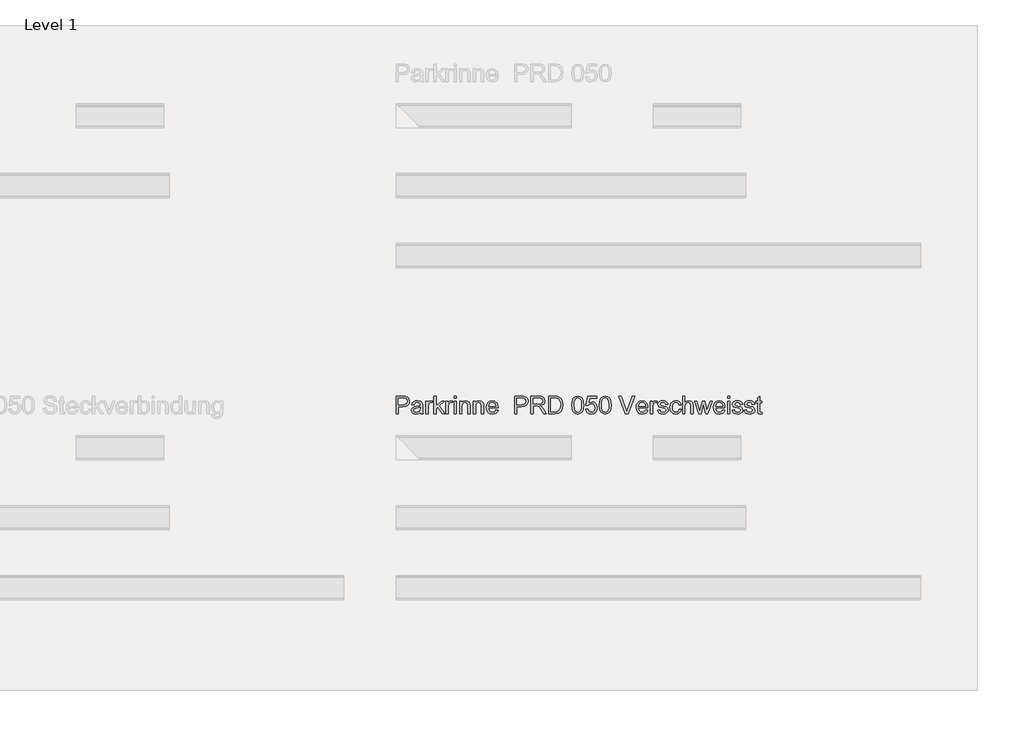
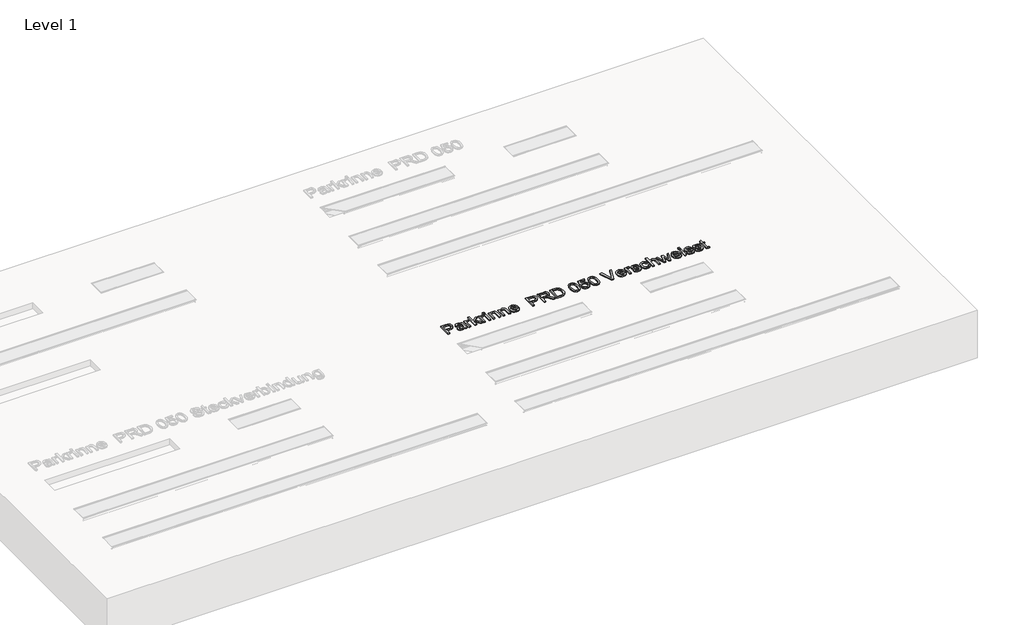
# One storey, part 3 of 4: 1 proxy.
"""IFC4 building model written with IfcOpenShell, lengths in millimetres."""

from ifc_helpers import new_model, si_unit, origin, origin_with_axes, place, context, project, spatial, polyline, outline, extrude, element, save

model = new_model("IFC4")

# Units and contexts
model_context = context("Model", 3, world=origin())
ifc_project = project(units=[si_unit("LENGTHUNIT", "METRE", prefix="MILLI")], contexts=[model_context])

# Site, building, storey
site = spatial("IfcSite", under=ifc_project)
building = spatial("IfcBuilding", under=site)
storey = spatial("IfcBuildingStorey", under=building, Name="Level 1", Elevation=0.0)

# Proxy
placement = place(None, origin())
element("IfcBuildingElementProxy", 1, Name="100mm ACO", ObjectType="100mm ACO", at=placement, inside=storey, context=model_context, shape_type="SweptSolid", body=[
    extrude(outline(polyline([(-11851.3859098, 10264.8419023), (-11813.6085192, 10264.8419023), (-11798.2123407, 10263.9542209), (-11786.2213662, 10259.3411883), (-11777.8538779, 10249.2274415), (-11775.016208, 10235.8540124), (-11777.2536016, 10223.3500745), (-11783.9657824, 10213.6037697), (-11795.6111433, 10207.3281534), (-11812.648077, 10205.2362814), (-11838.3471802, 10205.2362814), (-11838.3471802, 10164.257417), (-11851.3859098, 10164.257417), (-11851.3859098, 10264.8419023)]), holes=[polyline([(-11838.3471802, 10216.4123353), (-11812.1241995, 10216.4123353), (-11794.072253, 10221.1781656), (-11789.5592664, 10227.1354534), (-11788.0549375, 10235.4756564), (-11791.1836506, 10246.520741), (-11798.8671876, 10252.4871239), (-11812.4152426, 10253.6658484), (-11838.3471802, 10253.6658484), (-11838.3471802, 10216.4123353)])]), origin_with_axes(), (0.0, 0.0, 1.0), 10.0),
    extrude(outline(polyline([(-11696.7838305, 10164.257417), (-11709.8225601, 10164.257417), (-11713.5479114, 10173.0469177), (-11726.113696, 10165.0577854), (-11739.6544748, 10162.3947413), (-11749.6990988, 10163.8499567), (-11757.3644457, 10168.2156028), (-11762.221227, 10174.967802), (-11763.840154, 10183.5826769), (-11762.2539693, 10191.9392511), (-11757.4954151, 10198.6732601), (-11748.8150555, 10203.5955261), (-11735.4634546, 10206.5168709), (-11724.0545662, 10208.2631293), (-11713.5479114, 10210.8243083), (-11713.8826109, 10218.9007536), (-11715.8325995, 10223.8048293), (-11721.0277183, 10227.8939844), (-11730.6612439, 10229.4510649), (-11742.8122922, 10226.2932476), (-11748.9387488, 10214.5496596), (-11761.9774784, 10216.1503965), (-11758.4012866, 10226.0167566), (-11751.6891058, 10233.0891033), (-11741.848212, 10237.3456082), (-11728.8858812, 10238.7644431), (-11709.5169648, 10234.8790182), (-11701.9207407, 10225.5074313), (-11700.5091818, 10211.3772902), (-11700.5091818, 10194.7587308), (-11699.9562, 10174.3857159), (-11696.7838305, 10164.257417)]), holes=[polyline([(-11713.5479114, 10196.8542409), (-11713.5479114, 10201.5109301), (-11736.9623264, 10196.1557376), (-11747.34165, 10192.0738585), (-11750.8014245, 10183.786407), (-11747.0760732, 10175.1133235), (-11736.3365838, 10171.7081196), (-11720.43108, 10177.4125638), (-11715.2687035, 10185.1252052), (-11713.5479114, 10196.8542409)])]), origin_with_axes(), (0.0, 0.0, 1.0), 10.0),
    extrude(outline(polyline([(-11642.7662365, 10235.9122211), (-11646.8408395, 10227.5883892), (-11655.3975058, 10229.4510649), (-11661.2256433, 10227.8139476), (-11665.4384918, 10222.9025958), (-11668.8436957, 10204.5668823), (-11668.8436957, 10164.257417), (-11681.8824253, 10164.257417), (-11681.8824253, 10236.9017675), (-11670.7063713, 10236.9017675), (-11670.7063713, 10226.1331739), (-11663.7358898, 10235.6066258), (-11655.2519843, 10238.7644431), (-11642.7662365, 10235.9122211)])), origin_with_axes(), (0.0, 0.0, 1.0), 10.0),
    extrude(outline(polyline([(-11573.8472373, 10164.257417), (-11586.798654, 10164.257417), (-11613.0216347, 10202.4422679), (-11622.2768043, 10194.0602275), (-11622.2768043, 10164.257417), (-11635.3155339, 10164.257417), (-11635.3155339, 10264.8419023), (-11622.2768043, 10264.8419023), (-11622.2768043, 10208.5250681), (-11591.1351957, 10236.9017675), (-11575.2442441, 10236.9017675), (-11605.1052631, 10209.7183447), (-11573.8472373, 10164.257417)])), origin_with_axes(), (0.0, 0.0, 1.0), 10.0),
    extrude(outline(polyline([(-11527.280346, 10235.9122211), (-11531.354949, 10227.5883892), (-11539.9116153, 10229.4510649), (-11545.7397527, 10227.8139476), (-11549.9526012, 10222.9025958), (-11553.3578051, 10204.5668823), (-11553.3578051, 10164.257417), (-11566.3965347, 10164.257417), (-11566.3965347, 10236.9017675), (-11555.2204808, 10236.9017675), (-11555.2204808, 10226.1331739), (-11548.2499992, 10235.6066258), (-11539.7660937, 10238.7644431), (-11527.280346, 10235.9122211)])), origin_with_axes(), (0.0, 0.0, 1.0), 10.0),
    extrude(outline(polyline([(-11506.7909138, 10164.257417), (-11519.8296434, 10164.257417), (-11519.8296434, 10236.9017675), (-11506.7909138, 10236.9017675), (-11506.7909138, 10164.257417)])), origin_with_axes(), (0.0, 0.0, 1.0), 10.0),
    extrude(outline(polyline([(-11506.7909138, 10251.8031727), (-11519.8296434, 10251.8031727), (-11519.8296434, 10264.8419023), (-11506.7909138, 10264.8419023), (-11506.7909138, 10251.8031727)])), origin_with_axes(), (0.0, 0.0, 1.0), 10.0),
    extrude(outline(polyline([(-11428.5585363, 10164.257417), (-11441.5972659, 10164.257417), (-11441.5972659, 10209.4855102), (-11445.4826909, 10225.1727317), (-11456.294941, 10229.4510649), (-11466.3795834, 10226.71526), (-11473.1317826, 10219.0026186), (-11475.1254277, 10204.916134), (-11475.1254277, 10164.257417), (-11488.1641572, 10164.257417), (-11488.1641572, 10236.9017675), (-11476.9881033, 10236.9017675), (-11476.9881033, 10226.8025729), (-11467.0344303, 10235.7812517), (-11453.7046576, 10238.7644431), (-11442.2666649, 10236.6980373), (-11433.4189556, 10230.5133721), (-11429.3880091, 10221.7238713), (-11428.5585363, 10209.1071542), (-11428.5585363, 10164.257417)])), origin_with_axes(), (0.0, 0.0, 1.0), 10.0),
    extrude(outline(polyline([(-11350.3261588, 10164.257417), (-11363.3648884, 10164.257417), (-11363.3648884, 10209.4855102), (-11367.2503134, 10225.1727317), (-11378.0625635, 10229.4510649), (-11388.1472059, 10226.71526), (-11394.8994052, 10219.0026186), (-11396.8930502, 10204.916134), (-11396.8930502, 10164.257417), (-11409.9317798, 10164.257417), (-11409.9317798, 10236.9017675), (-11398.7557258, 10236.9017675), (-11398.7557258, 10226.8025729), (-11388.8020528, 10235.7812517), (-11375.4722802, 10238.7644431), (-11364.0342875, 10236.6980373), (-11355.1865781, 10230.5133721), (-11351.1556316, 10221.7238713), (-11350.3261588, 10209.1071542), (-11350.3261588, 10164.257417)])), origin_with_axes(), (0.0, 0.0, 1.0), 10.0),
    extrude(outline(polyline([(-11268.3684301, 10197.7855788), (-11322.386024, 10197.7855788), (-11320.301428, 10186.5949727), (-11315.561064, 10178.4021102), (-11308.739742, 10173.3816173), (-11300.4122722, 10171.7081196), (-11288.6686843, 10175.4189188), (-11281.4071596, 10186.6095248), (-11268.3684301, 10185.0961009), (-11272.7704565, 10175.4189188), (-11279.7482141, 10168.2738114), (-11289.0470402, 10163.8645088), (-11300.4122722, 10162.3947413), (-11315.084481, 10164.9159019), (-11326.1550318, 10172.4793837), (-11333.1073232, 10184.4085116), (-11335.4247536, 10200.0266104), (-11333.190998, 10215.6556233), (-11326.4897313, 10228.0249538), (-11315.7284138, 10236.0795708), (-11301.3145057, 10238.7644431), (-11286.0056402, 10235.2864785), (-11273.5053403, 10223.4410255), (-11269.6526576, 10212.8434196), (-11268.3684301, 10197.7855788)]), holes=[polyline([(-11281.4071596, 10207.098957), (-11283.5026697, 10217.3145688), (-11288.2757761, 10224.2122896), (-11301.6346531, 10229.4510649), (-11309.5364724, 10227.8939844), (-11315.8957635, 10223.2227432), (-11322.386024, 10207.098957), (-11281.4071596, 10207.098957)])]), origin_with_axes(), (0.0, 0.0, 1.0), 10.0),
    extrude(outline(polyline([(-11173.3719717, 10264.8419023), (-11135.5945811, 10264.8419023), (-11120.1984026, 10263.9542209), (-11108.2074281, 10259.3411883), (-11099.8399398, 10249.2274415), (-11097.0022699, 10235.8540124), (-11099.2396635, 10223.3500745), (-11105.9518443, 10213.6037697), (-11117.5972052, 10207.3281534), (-11134.634139, 10205.2362814), (-11160.3332421, 10205.2362814), (-11160.3332421, 10164.257417), (-11173.3719717, 10164.257417), (-11173.3719717, 10264.8419023)]), holes=[polyline([(-11160.3332421, 10216.4123353), (-11134.1102614, 10216.4123353), (-11116.058315, 10221.1781656), (-11111.5453283, 10227.1354534), (-11110.0409995, 10235.4756564), (-11113.1697125, 10246.520741), (-11120.8532495, 10252.4871239), (-11134.4013045, 10253.6658484), (-11160.3332421, 10253.6658484), (-11160.3332421, 10216.4123353)])]), origin_with_axes(), (0.0, 0.0, 1.0), 10.0),
    extrude(outline(polyline([(-10992.2267643, 10164.257417), (-11007.3318997, 10164.257417), (-11026.1914907, 10194.2930619), (-11033.991445, 10203.4754708), (-11041.762295, 10208.0157427), (-11051.3958207, 10208.9616327), (-11067.1994594, 10208.9616327), (-11067.1994594, 10164.257417), (-11080.238189, 10164.257417), (-11080.238189, 10264.8419023), (-11035.8541207, 10264.8419023), (-11020.5889116, 10263.6922822), (-11009.7912137, 10258.8609672), (-11002.6461063, 10249.5766932), (-11000.1431359, 10237.7748967), (-11001.9694311, 10227.664788), (-11007.448317, 10219.7447785), (-11016.3687871, 10214.1676656), (-11028.5198353, 10211.0862471), (-11018.8062728, 10203.5555076), (-11009.6893486, 10191.8191958), (-10992.2267643, 10164.257417)]), holes=[polyline([(-11067.1994594, 10220.1376866), (-11038.2697782, 10220.1376866), (-11024.4015758, 10221.6220063), (-11016.2378177, 10227.3992112), (-11013.1818655, 10237.047289), (-11018.260567, 10248.8199813), (-11024.9873, 10252.4543816), (-11035.0100958, 10253.6658484), (-11067.1994594, 10253.6658484), (-11067.1994594, 10220.1376866)])]), origin_with_axes(), (0.0, 0.0, 1.0), 10.0),
    extrude(outline(polyline([(-10979.6537037, 10264.8419023), (-10945.4270385, 10264.8419023), (-10929.9435472, 10263.9105645), (-10917.5451123, 10259.3848447), (-10907.1985312, 10249.4748282), (-10900.2280496, 10234.9663311), (-10897.6959749, 10215.1026415), (-10900.3008104, 10194.8496818), (-10908.1153168, 10178.5621839), (-10922.2818383, 10167.8336087), (-10943.9427189, 10164.257417), (-10979.6537037, 10164.257417), (-10979.6537037, 10264.8419023)]), holes=[polyline([(-10966.6149741, 10175.4334709), (-10945.1650998, 10175.4334709), (-10933.4506162, 10176.2774958), (-10922.9876178, 10180.8323199), (-10914.2126692, 10192.9979202), (-10910.7347045, 10215.3936846), (-10912.0735026, 10229.7712123), (-10916.9921305, 10241.9513648), (-10925.2140973, 10249.9987057), (-10934.2655368, 10253.1128665), (-10945.5725601, 10253.6658484), (-10966.6149741, 10253.6658484), (-10966.6149741, 10175.4334709)])]), origin_with_axes(), (0.0, 0.0, 1.0), 10.0),
    extrude(outline(polyline([(-10812.0419991, 10264.8419023), (-10797.3606952, 10261.6367905), (-10786.8740496, 10252.021455), (-10780.5820622, 10235.9958959), (-10778.484733, 10213.5601132), (-10780.6530039, 10190.9569807), (-10787.1578166, 10175.0114585), (-10797.715404, 10165.5489206), (-10812.0419991, 10162.3947413), (-10826.6978368, 10165.5925771), (-10837.1662922, 10175.1860843), (-10843.4473655, 10191.175263), (-10845.5410566, 10213.5601132), (-10843.3727857, 10236.1596077), (-10836.8679731, 10252.1524244), (-10826.3249378, 10261.6695328), (-10812.0419991, 10264.8419023)]), holes=[polyline([(-10812.0128948, 10171.7081196), (-10803.121529, 10174.1565194), (-10796.7040293, 10181.5017189), (-10792.8186043, 10194.4131172), (-10791.5234626, 10213.5601132), (-10793.7935986, 10237.9204182), (-10800.6476629, 10251.162878), (-10812.1584163, 10255.528524), (-10821.031592, 10253.0364677), (-10827.3945211, 10245.5602989), (-10831.2253755, 10232.5761399), (-10832.502327, 10213.5601132), (-10830.1885346, 10189.3598819), (-10823.3344703, 10176.0737657), (-10812.0128948, 10171.7081196)])]), origin_with_axes(), (0.0, 0.0, 1.0), 10.0),
    extrude(outline(polyline([(-10749.7878862, 10226.71526), (-10730.9865039, 10231.3137405), (-10719.4320939, 10229.0763469), (-10709.4493166, 10222.3641661), (-10702.5515958, 10211.926634), (-10700.2523556, 10198.5131864), (-10702.6352707, 10184.5940516), (-10709.7840161, 10172.9305005), (-10720.7963583, 10165.0286811), (-10734.7700638, 10162.3947413), (-10746.5791364, 10164.2137605), (-10756.685607, 10169.6708181), (-10763.9689599, 10178.6931533), (-10767.3086791, 10191.2080054), (-10754.2699495, 10192.1975518), (-10747.4595417, 10176.7868212), (-10734.6245422, 10171.7081196), (-10726.0096673, 10173.5926235), (-10719.1992595, 10179.2461351), (-10714.7681287, 10187.6572799), (-10713.2910851, 10197.8146831), (-10714.7717668, 10207.8411169), (-10719.2138116, 10215.5101018), (-10725.9914772, 10220.3777971), (-10734.4790207, 10222.0003623), (-10744.8838105, 10219.6356373), (-10752.5818997, 10212.5414625), (-10765.4460035, 10214.0548864), (-10755.6960606, 10262.9792267), (-10703.9777069, 10262.9792267), (-10703.9777069, 10253.6658484), (-10744.3744851, 10253.6658484), (-10749.7878862, 10226.71526)])), origin_with_axes(), (0.0, 0.0, 1.0), 10.0),
    extrude(outline(polyline([(-10655.5772442, 10264.8419023), (-10640.8959403, 10261.6367905), (-10630.4092946, 10252.021455), (-10624.1173072, 10235.9958959), (-10622.0199781, 10213.5601132), (-10624.188249, 10190.9569807), (-10630.6930616, 10175.0114585), (-10641.250649, 10165.5489206), (-10655.5772442, 10162.3947413), (-10670.2330818, 10165.5925771), (-10680.7015373, 10175.1860843), (-10686.9826106, 10191.175263), (-10689.0763016, 10213.5601132), (-10686.9080308, 10236.1596077), (-10680.4032181, 10252.1524244), (-10669.8601829, 10261.6695328), (-10655.5772442, 10264.8419023)]), holes=[polyline([(-10655.5481399, 10171.7081196), (-10646.6567741, 10174.1565194), (-10640.2392743, 10181.5017189), (-10636.3538493, 10194.4131172), (-10635.0587077, 10213.5601132), (-10637.3288436, 10237.9204182), (-10644.182908, 10251.162878), (-10655.6936614, 10255.528524), (-10664.566837, 10253.0364677), (-10670.9297662, 10245.5602989), (-10674.7606206, 10232.5761399), (-10676.0375721, 10213.5601132), (-10673.7237797, 10189.3598819), (-10666.8697153, 10176.0737657), (-10655.5481399, 10171.7081196)])]), origin_with_axes(), (0.0, 0.0, 1.0), 10.0),
    extrude(outline(polyline([(-10486.0446554, 10264.8419023), (-10523.7929417, 10164.257417), (-10539.5965804, 10164.257417), (-10577.3157624, 10264.8419023), (-10563.4912165, 10264.8419023), (-10536.9771928, 10191.7318829), (-10531.6802089, 10175.3170537), (-10526.3541207, 10191.7318829), (-10499.8692012, 10264.8419023), (-10486.0446554, 10264.8419023)])), origin_with_axes(), (0.0, 0.0, 1.0), 10.0),
    extrude(outline(polyline([(-10411.5376292, 10197.7855788), (-10465.5552232, 10197.7855788), (-10463.4706272, 10186.5949727), (-10458.7302631, 10178.4021102), (-10451.9089412, 10173.3816173), (-10443.5814713, 10171.7081196), (-10431.8378834, 10175.4189188), (-10424.5763588, 10186.6095248), (-10411.5376292, 10185.0961009), (-10415.9396556, 10175.4189188), (-10422.9174133, 10168.2738114), (-10432.2162394, 10163.8645088), (-10443.5814713, 10162.3947413), (-10458.2536801, 10164.9159019), (-10469.3242309, 10172.4793837), (-10476.2765223, 10184.4085116), (-10478.5939527, 10200.0266104), (-10476.3601972, 10215.6556233), (-10469.6589305, 10228.0249538), (-10458.8976129, 10236.0795708), (-10444.4837048, 10238.7644431), (-10429.1748393, 10235.2864785), (-10416.6745394, 10223.4410255), (-10412.8218567, 10212.8434196), (-10411.5376292, 10197.7855788)]), holes=[polyline([(-10424.5763588, 10207.098957), (-10426.6718689, 10217.3145688), (-10431.4449752, 10224.2122896), (-10444.8038522, 10229.4510649), (-10452.7056716, 10227.8939844), (-10459.0649627, 10223.2227432), (-10465.5552232, 10207.098957), (-10424.5763588, 10207.098957)])]), origin_with_axes(), (0.0, 0.0, 1.0), 10.0),
    extrude(outline(polyline([(-10357.5200352, 10235.9122211), (-10361.5946382, 10227.5883892), (-10370.1513045, 10229.4510649), (-10375.979442, 10227.8139476), (-10380.1922904, 10222.9025958), (-10383.5974944, 10204.5668823), (-10383.5974944, 10164.257417), (-10396.636224, 10164.257417), (-10396.636224, 10236.9017675), (-10385.46017, 10236.9017675), (-10385.46017, 10226.1331739), (-10378.4896885, 10235.6066258), (-10370.005783, 10238.7644431), (-10357.5200352, 10235.9122211)])), origin_with_axes(), (0.0, 0.0, 1.0), 10.0),
    extrude(outline(polyline([(-10309.0904682, 10216.4123353), (-10313.907231, 10226.1913825), (-10325.0396285, 10229.4510649), (-10336.4194126, 10226.6570514), (-10340.7559543, 10218.5369497), (-10337.8891801, 10211.3481859), (-10324.3702294, 10207.4482087), (-10306.5438413, 10203.2571885), (-10297.4487454, 10196.8978974), (-10294.189063, 10185.5035612), (-10296.2118123, 10176.5212444), (-10302.2800604, 10169.0741798), (-10311.7316841, 10164.064601), (-10323.9045605, 10162.3947413), (-10336.4521549, 10163.7990241), (-10345.9219688, 10168.0118726), (-10352.3212784, 10175.0260106), (-10355.6573596, 10184.8341621), (-10342.61863, 10186.6095248), (-10336.9869466, 10175.4189188), (-10323.9045605, 10171.7081196), (-10311.53523, 10175.5644403), (-10307.2277926, 10184.9505793), (-10309.163229, 10190.9606187), (-10313.994544, 10194.3512705), (-10327.6590161, 10197.2617012), (-10340.91239, 10200.5068315), (-10348.7159823, 10205.1198641), (-10353.7946839, 10217.7802377), (-10351.9138181, 10226.1149837), (-10346.2712205, 10232.8417167), (-10337.4489774, 10237.2837615), (-10326.0291749, 10238.7644431), (-10314.0272863, 10237.4693015), (-10305.0304174, 10233.5838765), (-10299.0385682, 10227.1154442), (-10296.0517386, 10218.0712808), (-10309.0904682, 10216.4123353)])), origin_with_axes(), (0.0, 0.0, 1.0), 10.0),
    extrude(outline(polyline([(-10219.6820368, 10188.8505565), (-10223.7348116, 10176.9759992), (-10230.9454037, 10168.7685846), (-10240.3242666, 10163.9882021), (-10250.881854, 10162.3947413), (-10265.28121, 10164.9995768), (-10275.998871, 10172.8140833), (-10282.6564813, 10184.9287511), (-10284.8756847, 10200.4340707), (-10279.8115353, 10223.2518475), (-10267.1366095, 10235.2864785), (-10251.1437928, 10238.7644431), (-10240.5316348, 10237.3419701), (-10231.5711463, 10233.0745511), (-10224.9972109, 10226.049499), (-10221.5447125, 10216.3541267), (-10234.5834421, 10214.5496596), (-10240.5207207, 10225.7111614), (-10250.9982713, 10229.4510649), (-10260.0060543, 10227.5556469), (-10266.5399712, 10221.8693929), (-10270.5127092, 10212.785211), (-10271.8369551, 10200.6960095), (-10270.5090711, 10188.3958017), (-10266.5254191, 10179.2606873), (-10260.0387966, 10173.5962615), (-10251.2020014, 10171.7081196), (-10238.5270757, 10176.3648087), (-10232.7207664, 10190.3348761), (-10219.6820368, 10188.8505565)])), origin_with_axes(), (0.0, 0.0, 1.0), 10.0),
    extrude(outline(polyline([(-10152.6257133, 10164.257417), (-10165.6644429, 10164.257417), (-10165.6644429, 10211.2317686), (-10169.375242, 10224.8962408), (-10180.4494309, 10229.4510649), (-10193.4590561, 10224.0813202), (-10197.7592175, 10216.6051513), (-10199.1926046, 10204.916134), (-10199.1926046, 10164.257417), (-10212.2313342, 10164.257417), (-10212.2313342, 10264.8419023), (-10199.1926046, 10264.8419023), (-10199.1926046, 10228.8107701), (-10189.4353857, 10236.2760249), (-10177.5098958, 10238.7644431), (-10164.1510189, 10235.8831167), (-10155.2014445, 10227.0208552), (-10152.6257133, 10210.416848), (-10152.6257133, 10164.257417)])), origin_with_axes(), (0.0, 0.0, 1.0), 10.0),
    extrude(outline(polyline([(-10044.1248564, 10236.9017675), (-10068.4560572, 10164.257417), (-10080.7962834, 10164.257417), (-10091.3611468, 10207.9138776), (-10092.6853928, 10213.8074998), (-10093.9514302, 10220.2541038), (-10106.7864296, 10164.257417), (-10119.1266558, 10164.257417), (-10143.7780039, 10236.9017675), (-10132.1653854, 10236.9017675), (-10114.4408624, 10179.3334481), (-10112.3162479, 10189.1415996), (-10101.1984026, 10236.9017675), (-10086.6171448, 10236.9017675), (-10077.7985397, 10198.8042295), (-10073.6948324, 10180.9050806), (-10055.7665793, 10236.9017675), (-10044.1248564, 10236.9017675)])), origin_with_axes(), (0.0, 0.0, 1.0), 10.0),
    extrude(outline(polyline([(-9970.0834992, 10197.7855788), (-10024.1010931, 10197.7855788), (-10022.0164971, 10186.5949727), (-10017.2761331, 10178.4021102), (-10010.4548112, 10173.3816173), (-10002.1273413, 10171.7081196), (-9990.3837534, 10175.4189188), (-9983.1222288, 10186.6095248), (-9970.0834992, 10185.0961009), (-9974.4855256, 10175.4189188), (-9981.4632833, 10168.2738114), (-9990.7621094, 10163.8645088), (-10002.1273413, 10162.3947413), (-10016.7995501, 10164.9159019), (-10027.8701009, 10172.4793837), (-10034.8223923, 10184.4085116), (-10037.1398227, 10200.0266104), (-10034.9060672, 10215.6556233), (-10028.2048004, 10228.0249538), (-10017.4434829, 10236.0795708), (-10003.0295748, 10238.7644431), (-9987.7207093, 10235.2864785), (-9975.2204094, 10223.4410255), (-9971.3677267, 10212.8434196), (-9970.0834992, 10197.7855788)]), holes=[polyline([(-9983.1222288, 10207.098957), (-9985.2177389, 10217.3145688), (-9989.9908452, 10224.2122896), (-10003.3497222, 10229.4510649), (-10011.2515416, 10227.8939844), (-10017.6108327, 10223.2227432), (-10024.1010931, 10207.098957), (-9983.1222288, 10207.098957)])]), origin_with_axes(), (0.0, 0.0, 1.0), 10.0),
    extrude(outline(polyline([(-9942.1433644, 10164.257417), (-9955.1820939, 10164.257417), (-9955.1820939, 10236.9017675), (-9942.1433644, 10236.9017675), (-9942.1433644, 10164.257417)])), origin_with_axes(), (0.0, 0.0, 1.0), 10.0),
    extrude(outline(polyline([(-9942.1433644, 10251.8031727), (-9955.1820939, 10251.8031727), (-9955.1820939, 10264.8419023), (-9942.1433644, 10264.8419023), (-9942.1433644, 10251.8031727)])), origin_with_axes(), (0.0, 0.0, 1.0), 10.0),
    extrude(outline(polyline([(-9882.5377434, 10216.4123353), (-9887.3545063, 10226.1913825), (-9898.4869037, 10229.4510649), (-9909.8666878, 10226.6570514), (-9914.2032296, 10218.5369497), (-9911.3364553, 10211.3481859), (-9897.8175047, 10207.4482087), (-9879.9911166, 10203.2571885), (-9870.8960206, 10196.8978974), (-9867.6363382, 10185.5035612), (-9869.6590875, 10176.5212444), (-9875.7273356, 10169.0741798), (-9885.1789593, 10164.064601), (-9897.3518357, 10162.3947413), (-9909.8994301, 10163.7990241), (-9919.3692441, 10168.0118726), (-9925.7685536, 10175.0260106), (-9929.1046348, 10184.8341621), (-9916.0659052, 10186.6095248), (-9910.4342218, 10175.4189188), (-9897.3518357, 10171.7081196), (-9884.9825052, 10175.5644403), (-9880.6750678, 10184.9505793), (-9882.6105042, 10190.9606187), (-9887.4418192, 10194.3512705), (-9901.1062914, 10197.2617012), (-9914.3596652, 10200.5068315), (-9922.1632575, 10205.1198641), (-9927.2419591, 10217.7802377), (-9925.3610933, 10226.1149837), (-9919.7184957, 10232.8417167), (-9910.8962527, 10237.2837615), (-9899.4764502, 10238.7644431), (-9887.4745615, 10237.4693015), (-9878.4776926, 10233.5838765), (-9872.4858434, 10227.1154442), (-9869.4990139, 10218.0712808), (-9882.5377434, 10216.4123353)])), origin_with_axes(), (0.0, 0.0, 1.0), 10.0),
    extrude(outline(polyline([(-9813.6187442, 10216.4123353), (-9818.4355071, 10226.1913825), (-9829.5679045, 10229.4510649), (-9840.9476886, 10226.6570514), (-9845.2842304, 10218.5369497), (-9842.4174561, 10211.3481859), (-9828.8985055, 10207.4482087), (-9811.0721174, 10203.2571885), (-9801.9770214, 10196.8978974), (-9798.717339, 10185.5035612), (-9800.7400883, 10176.5212444), (-9806.8083364, 10169.0741798), (-9816.2599601, 10164.064601), (-9828.4328365, 10162.3947413), (-9840.9804309, 10163.7990241), (-9850.4502449, 10168.0118726), (-9856.8495544, 10175.0260106), (-9860.1856356, 10184.8341621), (-9847.146906, 10186.6095248), (-9841.5152226, 10175.4189188), (-9828.4328365, 10171.7081196), (-9816.063506, 10175.5644403), (-9811.7560686, 10184.9505793), (-9813.691505, 10190.9606187), (-9818.52282, 10194.3512705), (-9832.1872922, 10197.2617012), (-9845.440666, 10200.5068315), (-9853.2442583, 10205.1198641), (-9858.3229599, 10217.7802377), (-9856.4420941, 10226.1149837), (-9850.7994965, 10232.8417167), (-9841.9772535, 10237.2837615), (-9830.557451, 10238.7644431), (-9818.5555623, 10237.4693015), (-9809.5586934, 10233.5838765), (-9803.5668442, 10227.1154442), (-9800.5800147, 10218.0712808), (-9813.6187442, 10216.4123353)])), origin_with_axes(), (0.0, 0.0, 1.0), 10.0),
    extrude(outline(polyline([(-9757.7384746, 10163.2387662), (-9766.877227, 10162.3947413), (-9778.533502, 10165.2906199), (-9783.0010132, 10172.6394574), (-9783.8159338, 10185.0378923), (-9783.8159338, 10227.5883892), (-9793.129312, 10227.5883892), (-9793.129312, 10236.9017675), (-9783.8159338, 10236.9017675), (-9783.8159338, 10255.3538982), (-9770.7772042, 10262.9792267), (-9770.7772042, 10236.9017675), (-9759.6011503, 10236.9017675), (-9759.6011503, 10227.5883892), (-9770.7772042, 10227.5883892), (-9770.7772042, 10182.4185046), (-9769.7294491, 10174.1528814), (-9764.4033609, 10171.7081196), (-9759.3392115, 10171.7081196), (-9757.7384746, 10163.2387662)])), origin_with_axes(), (0.0, 0.0, 1.0), 10.0),
])

save(model, "model.ifc")
